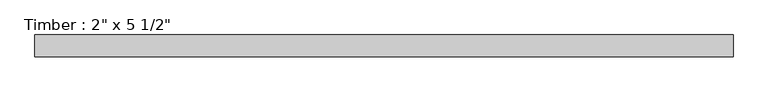
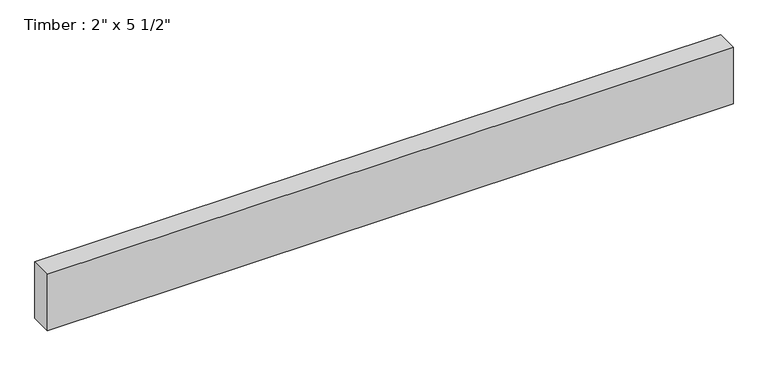
"""IFC4 building model written with IfcOpenShell, lengths in millimetres: beam geometry."""

from ifc_helpers import new_model, si_unit, frame, origin, place, context, project, spatial, polyline, outline, extrude, source, transform, mapped, element, save


def beam_0b25dc6f(model_context):
    return source(origin(), model_context, "Body", "SweptSolid", [
        extrude(outline(polyline([(812.2320715, 25.4), (812.2320715, -25.4), (-798.3939132, -25.4), (-798.3939132, 25.4), (812.2320715, 25.4)])), frame((0.0, 0.0, -69.85), z_axis=(0.0, 0.0, 1.0), x_axis=(1.0, 0.0, 0.0)), (0.0, 0.0, 1.0), 139.7),
    ])


if __name__ == "__main__":
    model = new_model("IFC4")
    model_context = context("Model", 3, world=origin())
    ifc_project = project(units=[si_unit("LENGTHUNIT", "METRE", prefix="MILLI")], contexts=[model_context])
    site = spatial("IfcSite", under=ifc_project)
    building = spatial("IfcBuilding", under=site)
    placement = place(None, origin())
    beam_shape = beam_0b25dc6f(model_context)
    element("IfcBeam", 1, ObjectType="Timber : 2\" x 5 1/2\"", at=placement, inside=building, context=model_context, shape_type="MappedRepresentation", body=[
        mapped(beam_shape, transform((0.0, 0.0, 0.0), x_axis=(1.0, 0.0, 0.0), y_axis=(0.0, 1.0, 0.0), z_axis=(0.0, 0.0, 1.0))),
    ])
    save(model, "model.ifc")
